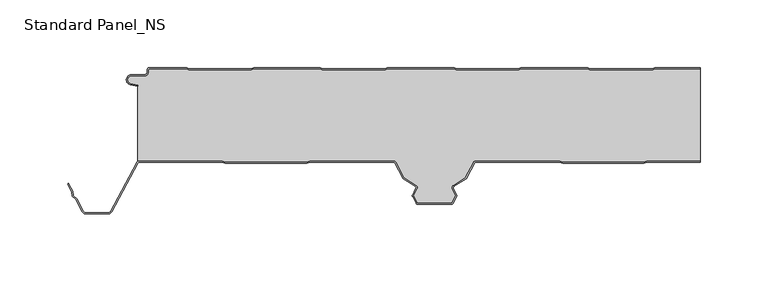
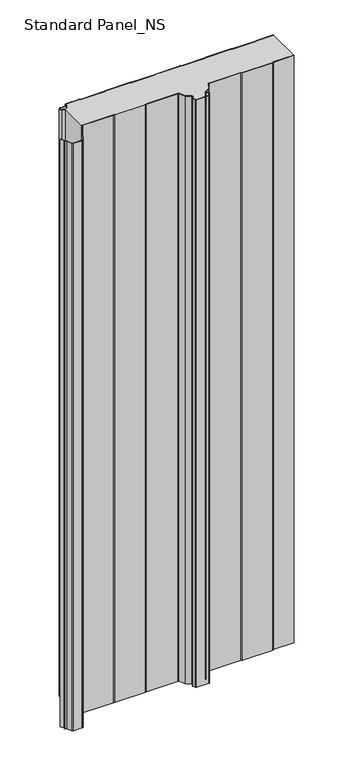
"""IFC4 building model written with IfcOpenShell, lengths in millimetres: proxy geometry, Standard Panel_NS."""

from ifc_helpers import new_model, si_unit, point, frame_2d, origin, origin_with_axes, place, context, project, spatial, polyline, circle_curve, trimmed, segment, composite_curve, outline, extrude, source, transform, mapped, element, save


def standard_panel_ns_f71b8caa(model_context):
    return source(origin(), model_context, "Body", "SweptSolid", [
        extrude(outline(composite_curve([segment(polyline([(189.9831604, 0.0), (223.9042607, 0.0), (223.9042607, -0.8), (190.1930584, -0.8), (188.4185569, -1.8), (141.9945958, -1.8), (140.262545, -0.8), (91.1930584, -0.8), (89.4185569, -1.8), (42.9945958, -1.8), (41.262545, -0.8), (-7.8087363, -0.8), (-9.5407871, -1.8), (-56.0054042, -1.8), (-57.737455, -0.786297), (-106.8069416, -0.786297), (-108.5814431, -1.786297), (-155.0054042, -1.786297), (-156.737455, -0.786297), (-183.7507504, -0.786297)]), True, "CONTINUOUS"), segment(trimmed(circle_curve(frame_2d((-183.7507504, -2.036297)), 1.25), [point((-183.7507504, -0.786297))], [point((-185.0007504, -2.036297))], True, "CARTESIAN"), True, "CONTINUOUS"), segment(polyline([(-185.0007504, -2.036297), (-185.0007504, -3.436297)]), True, "CONTINUOUS"), segment(trimmed(circle_curve(frame_2d((-187.7507504, -3.436297)), 2.75), [point((-185.0007504, -3.436297))], [point((-187.7507504, -6.186297))], False, "CARTESIAN"), True, "CONTINUOUS"), segment(polyline([(-187.7507504, -6.186297), (-197.5507504, -6.186297)]), True, "CONTINUOUS"), segment(trimmed(circle_curve(frame_2d((-197.5507504, -9.036297)), 2.85), [point((-197.5507504, -6.186297))], [point((-198.1918609, -11.8132517))], True, "CARTESIAN"), True, "CONTINUOUS"), segment(polyline([(-198.1918609, -11.8132517), (-192.7486452, -13.0699171), (-192.9286061, -13.8494131), (-198.3718217, -12.5927478)]), True, "CONTINUOUS"), segment(trimmed(circle_curve(frame_2d((-197.5507504, -9.036297)), 3.65), [point((-198.3718217, -12.5927478))], [point((-197.5507504, -5.386297))], False, "CARTESIAN"), True, "CONTINUOUS"), segment(polyline([(-197.5507504, -5.386297), (-187.7507504, -5.386297)]), True, "CONTINUOUS"), segment(trimmed(circle_curve(frame_2d((-187.7507504, -3.436297)), 1.95), [point((-187.7507504, -5.386297))], [point((-185.8007504, -3.436297))], True, "CARTESIAN"), True, "CONTINUOUS"), segment(polyline([(-185.8007504, -3.436297), (-185.8007504, -2.036297)]), True, "CONTINUOUS"), segment(trimmed(circle_curve(frame_2d((-183.7507504, -2.036297)), 2.05), [point((-185.8007504, -2.036297))], [point((-183.7507504, 0.013703))], False, "CARTESIAN"), True, "CONTINUOUS"), segment(polyline([(-183.7507504, 0.013703), (-156.5230957, 0.013703), (-154.7910449, -0.986297), (-108.7913411, -0.986297), (-107.0168396, 0.013703), (-57.5230957, 0.013703), (-55.7910449, -1.0), (-9.7551465, -1.0), (-8.0230957, 0.0), (41.4769043, 0.0), (43.2089551, -1.0), (89.2086589, -1.0), (90.9831604, 0.0), (140.4769043, 0.0), (142.2089551, -1.0), (188.2086589, -1.0), (189.9831604, 0.0)]), True, "CONTINUOUS")], self_intersect=False)), origin_with_axes(), (0.0, 0.0, 1.0), 1219.2),
        extrude(outline(composite_curve([segment(trimmed(circle_curve(frame_2d((-191.3607504, -71.75)), 1.75), [point((-191.3607504, -70.0))], [point((-192.9059087, -70.9284248))], True, "CARTESIAN"), True, "CONTINUOUS"), segment(polyline([(-192.9059087, -70.9284248), (-212.0091432, -106.8563836)]), True, "CONTINUOUS"), segment(trimmed(circle_curve(frame_2d((-214.5255439, -105.5183897)), 2.85), [point((-212.0091432, -106.8563836))], [point((-214.5255439, -108.3683897))], False, "CARTESIAN"), True, "CONTINUOUS"), segment(polyline([(-214.5255439, -108.3683897), (-231.2663514, -108.3683897)]), True, "CONTINUOUS"), segment(trimmed(circle_curve(frame_2d((-231.2663514, -105.5183897)), 2.85), [point((-231.2663514, -108.3683897))], [point((-233.782752, -106.8563836))], False, "CARTESIAN"), True, "CONTINUOUS"), segment(polyline([(-233.782752, -106.8563836), (-238.6671014, -97.6702585), (-241.084649, -95.3708693), (-241.6820111, -92.000038), (-244.7505404, -86.2289737), (-244.0441824, -85.8533964), (-240.9163332, -91.7360251), (-240.3428004, -94.9723908), (-238.0216911, -97.1800551), (-233.076394, -106.4808064)]), True, "CONTINUOUS"), segment(trimmed(circle_curve(frame_2d((-231.2663514, -105.5183897)), 2.05), [point((-233.076394, -106.4808064))], [point((-231.2663514, -107.5683897))], True, "CARTESIAN"), True, "CONTINUOUS"), segment(polyline([(-231.2663514, -107.5683897), (-214.5255439, -107.5683897)]), True, "CONTINUOUS"), segment(trimmed(circle_curve(frame_2d((-214.5255439, -105.5183897)), 2.05), [point((-214.5255439, -107.5683897))], [point((-212.7155013, -106.4808064))], True, "CARTESIAN"), True, "CONTINUOUS"), segment(polyline([(-212.7155013, -106.4808064), (-193.6122667, -70.5528475)]), True, "CONTINUOUS"), segment(trimmed(circle_curve(frame_2d((-191.3607504, -71.75)), 2.55), [point((-193.6122667, -70.5528475))], [point((-191.3607504, -69.2))], False, "CARTESIAN"), True, "CONTINUOUS"), segment(polyline([(-191.3607504, -69.2), (-130.0661789, -69.2), (-127.6845456, -70.1683897), (-67.8932049, -70.1683897), (-65.5115715, -69.2), (-3.3723047, -69.2)]), True, "CONTINUOUS"), segment(trimmed(circle_curve(frame_2d((-3.3750906, -70.9999978)), 1.8), [point((-3.3723047, -69.2))], [point((-1.7857934, -70.1549332))], False, "CARTESIAN"), True, "CONTINUOUS"), segment(polyline([(-1.7857934, -70.1549332), (4.3386275, -81.6730163), (13.3220194, -87.3606338)]), True, "CONTINUOUS"), segment(trimmed(circle_curve(frame_2d((12.3591509, -88.8814507)), 1.8), [point((13.3220194, -87.3606338))], [point((13.9681734, -89.6883253))], False, "CARTESIAN"), True, "CONTINUOUS"), segment(polyline([(13.9681734, -89.6883253), (11.3711036, -94.8672514), (14.3485893, -100.4669529), (39.8425575, -100.4669529), (42.8256576, -94.8564238), (40.2338477, -89.6882431)]), True, "CONTINUOUS"), segment(trimmed(circle_curve(frame_2d((41.8428542, -88.8813366)), 1.8), [point((40.2338477, -89.6882431))], [point((40.8799555, -87.3605387))], False, "CARTESIAN"), True, "CONTINUOUS"), segment(polyline([(40.8799555, -87.3605387), (49.8465774, -81.6832892), (55.9762236, -70.1548264)]), True, "CONTINUOUS"), segment(trimmed(circle_curve(frame_2d((57.5653038, -70.9997352)), 1.7997352), [point((55.9762236, -70.1548264))], [point((57.5653038, -69.2))], False, "CARTESIAN"), True, "CONTINUOUS"), segment(polyline([(57.5653038, -69.2), (119.7028683, -69.2), (122.0845088, -70.1683897), (181.8758496, -70.1683897), (184.2574895, -69.2), (223.9042607, -69.2), (223.9042607, -70.0), (184.4139138, -70.0), (182.032274, -70.9683897), (121.9280844, -70.9683897), (119.546444, -69.9999999), (57.5653038, -69.9999999)]), True, "CONTINUOUS"), segment(trimmed(circle_curve(frame_2d((57.5653038, -70.9997352)), 0.9997353), [point((57.5653038, -69.9999999))], [point((56.6825853, -70.5303966))], True, "CARTESIAN"), True, "CONTINUOUS"), segment(polyline([(56.6825853, -70.5303966), (50.4534972, -82.2458871), (41.3079104, -88.0364489)]), True, "CONTINUOUS"), segment(trimmed(circle_curve(frame_2d((41.8428542, -88.8813366)), 1.0), [point((41.3079104, -88.0364489))], [point((40.9489617, -89.329618))], True, "CARTESIAN"), True, "CONTINUOUS"), segment(polyline([(40.9489617, -89.329618), (43.4944639, -94.4054592)]), True, "CONTINUOUS"), segment(trimmed(circle_curve(frame_2d((42.6005714, -94.8537406)), 1.0), [point((43.4944639, -94.4054592))], [point((43.4835237, -95.3232034))], False, "CARTESIAN"), True, "CONTINUOUS"), segment(polyline([(43.4835237, -95.3232034), (40.7463788, -100.4711471)]), True, "CONTINUOUS"), segment(trimmed(circle_curve(frame_2d((39.4219504, -99.7669529)), 1.5), [point((40.7463788, -100.4711471))], [point((39.4219504, -101.2669529))], False, "CARTESIAN"), True, "CONTINUOUS"), segment(polyline([(39.4219504, -101.2669529), (14.7964212, -101.2669529)]), True, "CONTINUOUS"), segment(trimmed(circle_curve(frame_2d((14.7693172, -99.7671978)), 1.5), [point((14.7964212, -101.2669529))], [point((13.4449029, -100.4714183))], False, "CARTESIAN"), True, "CONTINUOUS"), segment(polyline([(13.4449029, -100.4714183), (10.7132468, -95.3340441)]), True, "CONTINUOUS"), segment(trimmed(circle_curve(frame_2d((11.5961897, -94.8645637)), 1.0), [point((10.7132468, -95.3340441))], [point((10.7022883, -94.4163001))], False, "CARTESIAN"), True, "CONTINUOUS"), segment(polyline([(10.7022883, -94.4163001), (13.2530523, -89.3297144)]), True, "CONTINUOUS"), segment(trimmed(circle_curve(frame_2d((12.3591509, -88.8814507)), 1.0), [point((13.2530523, -89.3297144))], [point((12.8940779, -88.0365524))], True, "CARTESIAN"), True, "CONTINUOUS"), segment(polyline([(12.8940779, -88.0365524), (3.7317189, -82.2356263), (-2.4921477, -70.5305175)]), True, "CONTINUOUS"), segment(trimmed(circle_curve(frame_2d((-3.3750906, -70.9999978)), 1.0), [point((-2.4921477, -70.5305175))], [point((-3.3730141, -70.0))], True, "CARTESIAN"), True, "CONTINUOUS"), segment(polyline([(-3.3730141, -70.0), (-65.3551468, -70.0), (-67.7367801, -70.9683897), (-127.8409703, -70.9683897), (-130.2226037, -70.0), (-191.3607504, -70.0)]), True, "CONTINUOUS")], self_intersect=False)), origin_with_axes(), (0.0, 0.0, 1.0), 1219.2),
        extrude(outline(composite_curve([segment(trimmed(circle_curve(frame_2d((-191.3607504, -71.75)), 2.55), [point((-191.3607504, -69.2))], [point((-192.7486452, -69.6107833))], True, "CARTESIAN"), True, "CONTINUOUS"), segment(polyline([(-192.7486452, -69.6107833), (-192.7486452, -13.0699171), (-198.1918609, -11.8132517)]), True, "CONTINUOUS"), segment(trimmed(circle_curve(frame_2d((-197.5507504, -9.036297)), 2.85), [point((-198.1918609, -11.8132517))], [point((-197.5507504, -6.186297))], False, "CARTESIAN"), True, "CONTINUOUS"), segment(polyline([(-197.5507504, -6.186297), (-187.7507504, -6.186297)]), True, "CONTINUOUS"), segment(trimmed(circle_curve(frame_2d((-187.7507504, -3.436297)), 2.75), [point((-187.7507504, -6.186297))], [point((-185.0007504, -3.436297))], True, "CARTESIAN"), True, "CONTINUOUS"), segment(polyline([(-185.0007504, -3.436297), (-185.0007504, -2.036297)]), True, "CONTINUOUS"), segment(trimmed(circle_curve(frame_2d((-183.7507504, -2.036297)), 1.25), [point((-185.0007504, -2.036297))], [point((-183.7507504, -0.786297))], False, "CARTESIAN"), True, "CONTINUOUS"), segment(polyline([(-183.7507504, -0.786297), (-156.737455, -0.786297), (-155.0054042, -1.786297), (-108.5814431, -1.786297), (-106.8069416, -0.786297), (-57.737455, -0.786297), (-56.0054042, -1.8), (-9.5407871, -1.8), (-7.8087363, -0.8), (41.262545, -0.8), (42.9945958, -1.8), (89.4185569, -1.8), (91.1930584, -0.8), (140.262545, -0.8), (141.9945958, -1.8), (188.4185569, -1.8), (190.1930584, -0.8), (223.9042607, -0.8), (223.9042607, -69.2), (184.2574895, -69.2), (181.8758496, -70.1683897), (122.0845088, -70.1683897), (119.7028683, -69.2), (57.5653038, -69.2)]), True, "CONTINUOUS"), segment(trimmed(circle_curve(frame_2d((57.5653038, -70.9997352)), 1.7997352), [point((57.5653038, -69.2))], [point((55.9762236, -70.1548264))], True, "CARTESIAN"), True, "CONTINUOUS"), segment(polyline([(55.9762236, -70.1548264), (49.8465774, -81.6832892), (40.8799555, -87.3605387)]), True, "CONTINUOUS"), segment(trimmed(circle_curve(frame_2d((41.8428542, -88.8813366)), 1.8), [point((40.8799555, -87.3605387))], [point((40.2338477, -89.6882431))], True, "CARTESIAN"), True, "CONTINUOUS"), segment(polyline([(40.2338477, -89.6882431), (42.8256576, -94.8564238), (39.8425575, -100.4669529), (14.3485893, -100.4669529), (11.3711036, -94.8672514), (13.9681734, -89.6883253)]), True, "CONTINUOUS"), segment(trimmed(circle_curve(frame_2d((12.3591509, -88.8814507)), 1.8), [point((13.9681734, -89.6883253))], [point((13.3220194, -87.3606338))], True, "CARTESIAN"), True, "CONTINUOUS"), segment(polyline([(13.3220194, -87.3606338), (4.3386275, -81.6730163), (-1.7857934, -70.1549332)]), True, "CONTINUOUS"), segment(trimmed(circle_curve(frame_2d((-3.3750906, -70.9999978)), 1.8), [point((-1.7857934, -70.1549332))], [point((-3.3723047, -69.2))], True, "CARTESIAN"), True, "CONTINUOUS"), segment(polyline([(-3.3723047, -69.2), (-65.5115715, -69.2), (-67.8932049, -70.1683897), (-127.6845456, -70.1683897), (-130.0661789, -69.2), (-191.3607504, -69.2)]), True, "CONTINUOUS")], self_intersect=False)), origin_with_axes(), (0.0, 0.0, 1.0), 1219.2),
    ])


if __name__ == "__main__":
    model = new_model("IFC4")
    model_context = context("Model", 3, world=origin())
    ifc_project = project(units=[si_unit("LENGTHUNIT", "METRE", prefix="MILLI")], contexts=[model_context])
    site = spatial("IfcSite", under=ifc_project)
    building = spatial("IfcBuilding", under=site)
    placement = place(None, origin())
    standard_panel_ns_shape = standard_panel_ns_f71b8caa(model_context)
    element("IfcBuildingElementProxy", 1, Name="Standard Panel_NS", ObjectType="Standard Panel_NS", at=placement, inside=building, context=model_context, shape_type="MappedRepresentation", body=[
        mapped(standard_panel_ns_shape, transform((0.0, 0.0, 0.0), x_axis=(1.0, 0.0, 0.0), y_axis=(0.0, 1.0, 0.0), z_axis=(0.0, 0.0, 1.0))),
    ])
    save(model, "model.ifc")
